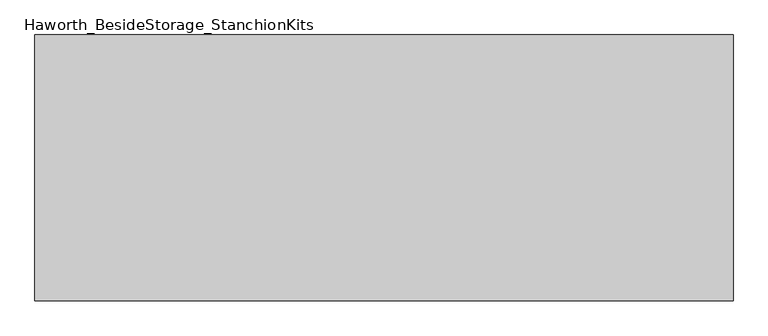
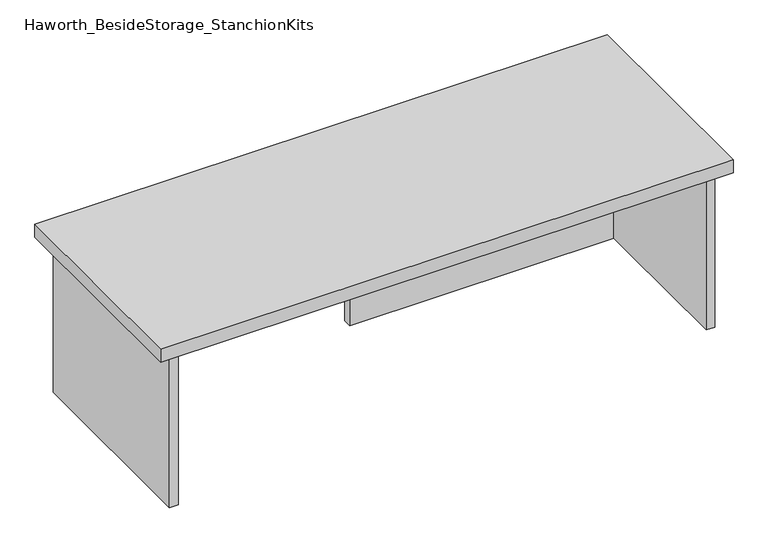
"""IFC4 building model written with IfcOpenShell, lengths in millimetres: furniture geometry, Haworth_BesideStorage_StanchionKits."""

from ifc_helpers import new_model, si_unit, frame, origin, place, context, project, spatial, polyline, outline, extrude, source, transform, mapped, element, save


def haworth_besidestorage_stanchionkits_2a3af473(model_context):
    return source(origin(), model_context, "Body", "SweptSolid", [
        extrude(outline(polyline([(695.325, 0.0), (695.325, -406.4), (-371.475, -406.4), (-371.475, 0.0), (695.325, 0.0)])), frame((0.0, 0.0, 736.6), z_axis=(0.0, 0.0, 1.0), x_axis=(1.0, 0.0, 0.0)), (0.0, 0.0, 1.0), 25.4),
        extrude(outline(polyline([(161.925, -76.2), (654.05, -76.2), (654.05, -92.075), (161.925, -92.075), (161.925, -76.2)])), frame((0.0, 0.0, 431.8), z_axis=(0.0, 0.0, 1.0), x_axis=(1.0, 0.0, 0.0)), (0.0, 0.0, 1.0), 304.8),
        extrude(outline(polyline([(669.925, -390.525), (654.05, -390.525), (654.05, -15.875), (669.925, -15.875), (669.925, -390.525)])), frame((0.0, 0.0, 431.8), z_axis=(0.0, 0.0, 1.0), x_axis=(1.0, 0.0, 0.0)), (0.0, 0.0, 1.0), 304.8),
        extrude(outline(polyline([(-330.2, -390.525), (-346.075, -390.525), (-346.075, -15.875), (-330.2, -15.875), (-330.2, -390.525)])), frame((0.0, 0.0, 431.8), z_axis=(0.0, 0.0, 1.0), x_axis=(1.0, 0.0, 0.0)), (0.0, 0.0, 1.0), 304.8),
    ])


if __name__ == "__main__":
    model = new_model("IFC4")
    model_context = context("Model", 3, world=origin())
    ifc_project = project(units=[si_unit("LENGTHUNIT", "METRE", prefix="MILLI")], contexts=[model_context])
    site = spatial("IfcSite", under=ifc_project)
    building = spatial("IfcBuilding", under=site)
    placement = place(None, origin())
    haworth_besidestorage_stanchionkits_shape = haworth_besidestorage_stanchionkits_2a3af473(model_context)
    element("IfcFurniture", 1, ObjectType="Haworth_BesideStorage_StanchionKits", at=placement, inside=building, context=model_context, shape_type="MappedRepresentation", body=[
        mapped(haworth_besidestorage_stanchionkits_shape, transform((0.0, 0.0, 0.0), x_axis=(1.0, 0.0, 0.0), y_axis=(0.0, 1.0, 0.0), z_axis=(0.0, 0.0, 1.0))),
    ])
    save(model, "model.ifc")
